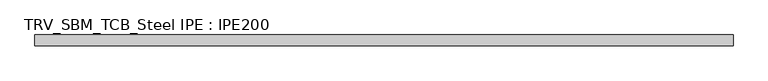
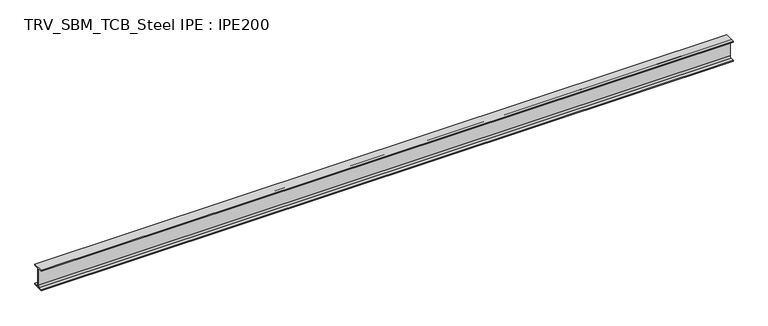
"""IFC4 building model written with IfcOpenShell, lengths in millimetres: beam geometry, TRV_SBM_TCB_Steel IPE : IPE200."""

import ifcopenshell
import ifcopenshell.guid

model = None  # the IFC model being written
_history = None  # IfcOwnerHistory: only IFC2X3 demands one
_inside = {}  # id of a spatial element -> (the spatial element, [elements in it])
_under = {}  # id of a project, library or spatial element -> (it, [spatial elements below it])
_declared = {}  # id of a project -> (the project, [libraries it declares])
_typed = {}  # id of a type object -> (the type object, [elements of that type])
_made_of = {}  # id of a material, layer set ... -> (it, [elements and type objects made of it])


def new_model(schema):
    """Start an empty IFC model of exactly this schema.

    Asked for "IFC4X3", IfcOpenShell would pick the latest addendum, in which some entities
    have other attributes; the version numbers below select the first issue.
    IFC2X3 requires an IfcOwnerHistory on every rooted entity: one is made here for all.
    """
    global model, _history
    if schema == "IFC4X3":
        model = ifcopenshell.file(schema_version=(4, 3, 0, 0))
    else:
        model = ifcopenshell.file(schema=schema)
    _inside.clear()
    _under.clear()
    _declared.clear()
    _typed.clear()
    _made_of.clear()
    _history = None
    if model.schema == "IFC2X3":
        org = make("IfcOrganization", Name="unknown")
        user = make(
            "IfcPersonAndOrganization",
            ThePerson=make("IfcPerson", FamilyName="unknown"),
            TheOrganization=org,
        )
        app = make(
            "IfcApplication",
            ApplicationDeveloper=org,
            Version="unknown",
            ApplicationFullName="unknown",
            ApplicationIdentifier="unknown",
        )
        _history = make(
            "IfcOwnerHistory",
            OwningUser=user,
            OwningApplication=app,
            ChangeAction="ADDED",
            CreationDate=0,
        )
    return model


def make(cls, **values):
    """One entity of the class cls with the attributes given. An attribute that is None is left unset."""
    return model.create_entity(
        cls, **{name: value for name, value in values.items() if value is not None}
    )


def rooted(cls, **values):
    """An entity with a GlobalId (a new one), such as an element, a storey or a relation."""
    return make(cls, GlobalId=ifcopenshell.guid.new(), OwnerHistory=_history, **values)


def si_unit(unit_type, name, prefix=None):
    """IfcSIUnit, for example si_unit("LENGTHUNIT", "METRE", prefix="MILLI")."""
    return make("IfcSIUnit", UnitType=unit_type, Prefix=prefix, Name=name)


def assignment(units):
    """IfcUnitAssignment: the units of a project."""
    return None if units is None else make("IfcUnitAssignment", Units=units)


def point(xyz):
    """IfcCartesianPoint."""
    return None if xyz is None else make("IfcCartesianPoint", Coordinates=xyz)


def direction(xyz):
    """IfcDirection."""
    return None if xyz is None else make("IfcDirection", DirectionRatios=xyz)


def frame(location, z_axis=None, x_axis=None):
    """IfcAxis2Placement3D, a coordinate frame: its origin and axes. An axis left out is left unset."""
    return make(
        "IfcAxis2Placement3D",
        Location=point(location),
        Axis=direction(z_axis),
        RefDirection=direction(x_axis),
    )


def frame_2d(location, x_axis=None):
    """IfcAxis2Placement2D, a coordinate frame in the plane: its origin and x axis."""
    return make(
        "IfcAxis2Placement2D", Location=point(location), RefDirection=direction(x_axis)
    )


def origin():
    """The frame at (0, 0, 0) with its axes left unset."""
    return frame((0.0, 0.0, 0.0))


def place(relative_to, where):
    """IfcLocalPlacement: puts the frame where relative to a parent placement (None: the world)."""
    return make(
        "IfcLocalPlacement", PlacementRelTo=relative_to, RelativePlacement=where
    )


def context(
    kind, dimensions, precision=None, world=None, true_north=None, identifier=None
):
    """IfcGeometricRepresentationContext, for example the 3D "Model" context."""
    return make(
        "IfcGeometricRepresentationContext",
        ContextIdentifier=identifier,
        ContextType=kind,
        CoordinateSpaceDimension=dimensions,
        Precision=precision,
        WorldCoordinateSystem=world,
        TrueNorth=true_north,
    )


def project(units=None, contexts=None):
    """IfcProject with its units and contexts."""
    return rooted(
        "IfcProject",
        Name="project",
        RepresentationContexts=contexts,
        UnitsInContext=assignment(units),
    )


def spatial(cls, under=None, at=None, **own):
    """A site, building, storey or space (cls), placed at a placement, below another one or the project."""
    s = rooted(cls, ObjectPlacement=at, **own)
    if under is not None:
        _under.setdefault(under.id(), (under, []))[1].append(s)
    return s


def polyline(points):
    """IfcPolyline through the points."""
    return make("IfcPolyline", Points=[point(p) for p in points])


def circle_curve(where, radius):
    """IfcCircle in the frame where."""
    return make("IfcCircle", Position=where, Radius=radius)


def trimmed(basis, trim1, trim2, sense, master):
    """IfcTrimmedCurve: the piece of a basis curve between two trims."""
    return make(
        "IfcTrimmedCurve",
        BasisCurve=basis,
        Trim1=trim1,
        Trim2=trim2,
        SenseAgreement=sense,
        MasterRepresentation=master,
    )


def segment(curve, same_sense, transition):
    """IfcCompositeCurveSegment."""
    return make(
        "IfcCompositeCurveSegment",
        Transition=transition,
        SameSense=same_sense,
        ParentCurve=curve,
    )


def composite_curve(segments, self_intersect=None):
    """IfcCompositeCurve: segments joined end to end."""
    return make("IfcCompositeCurve", Segments=segments, SelfIntersect=self_intersect)


def outline(outer, holes=None, kind="AREA"):
    """IfcArbitraryClosedProfileDef: a profile drawn as a closed curve; with holes, ...WithVoids."""
    if holes is None:
        return make("IfcArbitraryClosedProfileDef", ProfileType=kind, OuterCurve=outer)
    return make(
        "IfcArbitraryProfileDefWithVoids",
        ProfileType=kind,
        OuterCurve=outer,
        InnerCurves=holes,
    )


def extrude(swept, where, along, depth):
    """IfcExtrudedAreaSolid: the profile swept, set in the frame where, extruded along a direction by depth."""
    return make(
        "IfcExtrudedAreaSolid",
        SweptArea=swept,
        Position=where,
        ExtrudedDirection=direction(along),
        Depth=depth,
    )


def shape(context_of_items, identifier, shape_type, items):
    """IfcShapeRepresentation: the items that make up one representation, for example the "Body"."""
    return make(
        "IfcShapeRepresentation",
        ContextOfItems=context_of_items,
        RepresentationIdentifier=identifier,
        RepresentationType=shape_type,
        Items=items,
    )


def source(mapping_origin, context_of_items, identifier, shape_type, items):
    """IfcRepresentationMap: a shape defined once, which mapped items show again and again."""
    return make(
        "IfcRepresentationMap",
        MappingOrigin=mapping_origin,
        MappedRepresentation=shape(context_of_items, identifier, shape_type, items),
    )


def transform(
    local_origin,
    x_axis=None,
    y_axis=None,
    z_axis=None,
    scale=None,
    scale2=None,
    scale3=None,
    uniform=True,
):
    """IfcCartesianTransformationOperator3D, or its non-uniform kind. x_axis, y_axis, z_axis: its Axis1, 2, 3."""
    if uniform:
        return make(
            "IfcCartesianTransformationOperator3D",
            Axis1=direction(x_axis),
            Axis2=direction(y_axis),
            LocalOrigin=point(local_origin),
            Scale=scale,
            Axis3=direction(z_axis),
        )
    return make(
        "IfcCartesianTransformationOperator3DnonUniform",
        Axis1=direction(x_axis),
        Axis2=direction(y_axis),
        LocalOrigin=point(local_origin),
        Scale=scale,
        Axis3=direction(z_axis),
        Scale2=scale2,
        Scale3=scale3,
    )


def mapped(mapping_source, mapping_target):
    """IfcMappedItem: shows the shape of a source again, moved by a transform."""
    return make(
        "IfcMappedItem", MappingSource=mapping_source, MappingTarget=mapping_target
    )


def made_of(thing, what):
    """Note that an element or type object is made of a material, layer set ...; save() writes the relation."""
    if what is not None:
        _made_of.setdefault(what.id(), (what, []))[1].append(thing)
    return thing


def element(
    cls,
    number,
    at=None,
    inside=None,
    cuts=None,
    type_object=None,
    material=None,
    context=None,
    identifier="Body",
    shape_type=None,
    held_by="IfcProductDefinitionShape",
    body=None,
    shapes=None,
    **own,
):
    """One element of the class cls, such as IfcWall. Its Tag is "e" and its number.

    at: its placement. inside: the storey or other place that contains it. cuts: it is an
    opening in that element (IfcRelVoidsElement). A single representation is given by context,
    identifier, shape_type and body (its items); several are given by shapes. held_by: the class
    of the entity that holds the representations. save() writes the other relations.
    """
    e = rooted(cls, Tag="e%d" % number, ObjectPlacement=at, **own)
    if body is not None:
        shapes = [shape(context, identifier, shape_type, body)]
    if shapes is not None:
        e.Representation = make(held_by, Representations=shapes)
    if inside is not None:
        _inside.setdefault(inside.id(), (inside, []))[1].append(e)
    if cuts is not None:
        rooted(
            "IfcRelVoidsElement", RelatingBuildingElement=cuts, RelatedOpeningElement=e
        )
    if type_object is not None:
        _typed.setdefault(type_object.id(), (type_object, []))[1].append(e)
    return made_of(e, material)


def aggregate(whole, parts):
    """IfcRelAggregates: a whole, such as a stair, and the parts it consists of."""
    return rooted("IfcRelAggregates", RelatingObject=whole, RelatedObjects=parts)


def save(model, path):
    """Write the relations noted so far, then the file.

    IfcRelAggregates (storeys below a building ...), IfcRelContainedInSpatialStructure (elements
    in a storey), IfcRelDefinesByType, IfcRelAssociatesMaterial and IfcRelDeclares: one each for
    every whole, place, type object, material and project.
    """
    for whole, parts in _under.values():
        aggregate(whole, parts)
    for where, things in _inside.values():
        rooted(
            "IfcRelContainedInSpatialStructure",
            RelatedElements=things,
            RelatingStructure=where,
        )
    for kind, things in _typed.values():
        rooted("IfcRelDefinesByType", RelatedObjects=things, RelatingType=kind)
    for what, things in _made_of.values():
        rooted("IfcRelAssociatesMaterial", RelatedObjects=things, RelatingMaterial=what)
    for by, libraries in _declared.values():
        rooted("IfcRelDeclares", RelatingContext=by, RelatedDefinitions=libraries)
    model.write(path)


def trv_sbm_tcb_steel_ipe_ipe200_fce33103(model_context):
    return source(origin(), model_context, "Body", "SweptSolid", [
        extrude(outline(composite_curve([segment(polyline([(-50.0, -89.3), (-18.55, -89.3)]), True, "CONTINUOUS"), segment(trimmed(circle_curve(frame_2d((-18.55, -74.3)), 15.0), [point((-18.55, -89.3))], [point((-3.55, -74.3))], True, "CARTESIAN"), True, "CONTINUOUS"), segment(polyline([(-3.55, -74.3), (-3.55, 74.3)]), True, "CONTINUOUS"), segment(trimmed(circle_curve(frame_2d((-18.55, 74.3)), 15.0), [point((-3.55, 74.3))], [point((-18.55, 89.3))], True, "CARTESIAN"), True, "CONTINUOUS"), segment(polyline([(-18.55, 89.3), (-50.0, 89.3), (-50.0, 100.0), (50.0, 100.0), (50.0, 89.3), (18.55, 89.3)]), True, "CONTINUOUS"), segment(trimmed(circle_curve(frame_2d((18.55, 74.3)), 15.0), [point((18.55, 89.3))], [point((3.55, 74.3))], True, "CARTESIAN"), True, "CONTINUOUS"), segment(polyline([(3.55, 74.3), (3.55, -74.3)]), True, "CONTINUOUS"), segment(trimmed(circle_curve(frame_2d((18.55, -74.3)), 15.0), [point((3.55, -74.3))], [point((18.55, -89.3))], True, "CARTESIAN"), True, "CONTINUOUS"), segment(polyline([(18.55, -89.3), (50.0, -89.3), (50.0, -100.0), (-50.0, -100.0), (-50.0, -89.3)]), True, "CONTINUOUS")], self_intersect=False)), frame((-3178.0, 0.0, 0.0), z_axis=(1.0, 0.0, 0.0), x_axis=(0.0, 1.0, 0.0)), (0.0, 0.0, 1.0), 6426.0),
    ])


if __name__ == "__main__":
    model = new_model("IFC4")
    model_context = context("Model", 3, world=origin())
    ifc_project = project(units=[si_unit("LENGTHUNIT", "METRE", prefix="MILLI")], contexts=[model_context])
    site = spatial("IfcSite", under=ifc_project)
    building = spatial("IfcBuilding", under=site)
    placement = place(None, origin())
    trv_sbm_tcb_steel_ipe_ipe200_shape = trv_sbm_tcb_steel_ipe_ipe200_fce33103(model_context)
    element("IfcBeam", 1, ObjectType="TRV_SBM_TCB_Steel IPE : IPE200", at=placement, inside=building, context=model_context, shape_type="MappedRepresentation", body=[
        mapped(trv_sbm_tcb_steel_ipe_ipe200_shape, transform((0.0, 0.0, 0.0), x_axis=(1.0, 0.0, 0.0), y_axis=(0.0, 1.0, 0.0), z_axis=(0.0, 0.0, 1.0))),
    ])
    save(model, "model.ifc")
